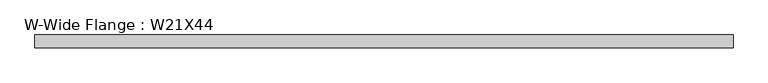
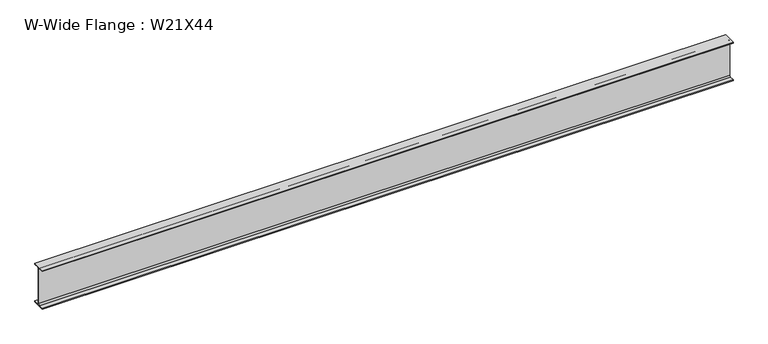
"""IFC4 building model written with IfcOpenShell, lengths in millimetres: beam geometry, W-Wide Flange : W21X44."""

from ifc_helpers import new_model, si_unit, point, frame, frame_2d, origin, place, context, project, spatial, polyline, circle_curve, trimmed, segment, composite_curve, outline, extrude, source, transform, mapped, element, save


def w_wide_flange_w21x44_757354e9(model_context):
    return source(origin(), model_context, "Body", "SweptSolid", [
        extrude(outline(composite_curve([segment(polyline([(82.55, -251.4699219), (82.55, -262.8800781), (-82.55, -262.8800781), (-82.55, -251.4699219), (-21.6296875, -251.4699219)]), True, "CONTINUOUS"), segment(trimmed(circle_curve(frame_2d((-21.6296875, -234.3050781)), 17.1648437), [point((-21.6296875, -251.4699219))], [point((-4.4648438, -234.3050781))], True, "CARTESIAN"), True, "CONTINUOUS"), segment(polyline([(-4.4648438, -234.3050781), (-4.4648438, 234.3050781)]), True, "CONTINUOUS"), segment(trimmed(circle_curve(frame_2d((-21.6296875, 234.3050781)), 17.1648437), [point((-4.4648438, 234.3050781))], [point((-21.6296875, 251.4699219))], True, "CARTESIAN"), True, "CONTINUOUS"), segment(polyline([(-21.6296875, 251.4699219), (-82.55, 251.4699219), (-82.55, 262.8800781), (82.55, 262.8800781), (82.55, 251.4699219), (21.6296875, 251.4699219)]), True, "CONTINUOUS"), segment(trimmed(circle_curve(frame_2d((21.6296875, 234.3050781)), 17.1648437), [point((21.6296875, 251.4699219))], [point((4.4648437, 234.3050781))], True, "CARTESIAN"), True, "CONTINUOUS"), segment(polyline([(4.4648437, 234.3050781), (4.4648437, -234.3050781)]), True, "CONTINUOUS"), segment(trimmed(circle_curve(frame_2d((21.6296875, -234.3050781)), 17.1648437), [point((4.4648437, -234.3050781))], [point((21.6296875, -251.4699219))], True, "CARTESIAN"), True, "CONTINUOUS"), segment(polyline([(21.6296875, -251.4699219), (82.55, -251.4699219)]), True, "CONTINUOUS")], self_intersect=False)), frame((-4456.4101563, 0.0, 0.0), z_axis=(1.0, 0.0, 0.0), x_axis=(0.0, 1.0, 0.0)), (0.0, 0.0, 1.0), 8912.8203125),
    ])


if __name__ == "__main__":
    model = new_model("IFC4")
    model_context = context("Model", 3, world=origin())
    ifc_project = project(units=[si_unit("LENGTHUNIT", "METRE", prefix="MILLI")], contexts=[model_context])
    site = spatial("IfcSite", under=ifc_project)
    building = spatial("IfcBuilding", under=site)
    placement = place(None, origin())
    w_wide_flange_w21x44_shape = w_wide_flange_w21x44_757354e9(model_context)
    element("IfcBeam", 1, ObjectType="W-Wide Flange : W21X44", at=placement, inside=building, context=model_context, shape_type="MappedRepresentation", body=[
        mapped(w_wide_flange_w21x44_shape, transform((0.0, 0.0, 0.0), x_axis=(1.0, 0.0, 0.0), y_axis=(0.0, 1.0, 0.0), z_axis=(0.0, 0.0, 1.0))),
    ])
    save(model, "model.ifc")
